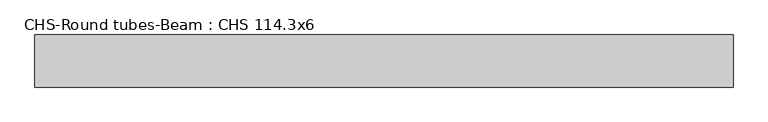
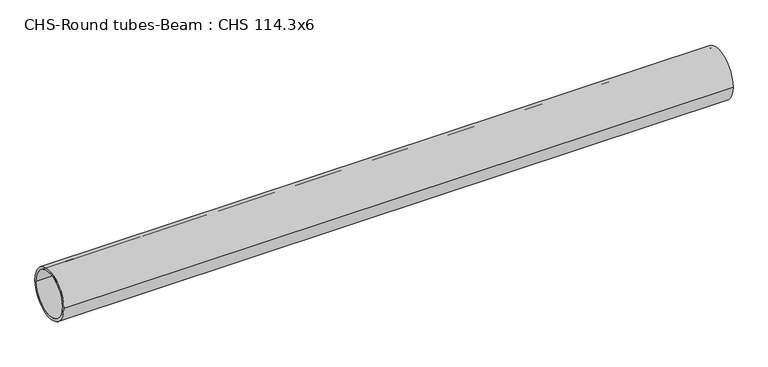
"""IFC4 building model written with IfcOpenShell, lengths in millimetres: beam geometry, CHS-Round tubes-Beam : CHS 114.3x6."""

from ifc_helpers import new_model, si_unit, point, frame, origin, origin_2d, place, context, project, spatial, circle_curve, trimmed, segment, composite_curve, outline, extrude, source, transform, mapped, element, save


def chs_round_tubes_beam_chs_114_3x6_30ed7b67(model_context):
    return source(origin(), model_context, "Body", "SweptSolid", [
        extrude(outline(composite_curve([segment(trimmed(circle_curve(origin_2d(), 57.15), [point((57.15, 0.0))], [point((-57.15, 0.0))], False, "CARTESIAN"), True, "CONTINUOUS"), segment(trimmed(circle_curve(origin_2d(), 57.15), [point((-57.15, 0.0))], [point((57.15, 0.0))], False, "CARTESIAN"), True, "CONTINUOUS")], self_intersect=False), holes=[composite_curve([segment(trimmed(circle_curve(origin_2d(), 51.15), [point((51.15, 0.0))], [point((-51.15, 0.0))], True, "CARTESIAN"), True, "CONTINUOUS"), segment(trimmed(circle_curve(origin_2d(), 51.15), [point((-51.15, 0.0))], [point((51.15, 0.0))], True, "CARTESIAN"), True, "CONTINUOUS")], self_intersect=False)]), frame((-755.3469866, 0.0, 0.0), z_axis=(1.0, 0.0, 0.0), x_axis=(0.0, 1.0, 0.0)), (0.0, 0.0, 1.0), 1531.2198064),
    ])


if __name__ == "__main__":
    model = new_model("IFC4")
    model_context = context("Model", 3, world=origin())
    ifc_project = project(units=[si_unit("LENGTHUNIT", "METRE", prefix="MILLI")], contexts=[model_context])
    site = spatial("IfcSite", under=ifc_project)
    building = spatial("IfcBuilding", under=site)
    placement = place(None, origin())
    chs_round_tubes_beam_chs_114_3x6_shape = chs_round_tubes_beam_chs_114_3x6_30ed7b67(model_context)
    element("IfcBeam", 1, ObjectType="CHS-Round tubes-Beam : CHS 114.3x6", at=placement, inside=building, context=model_context, shape_type="MappedRepresentation", body=[
        mapped(chs_round_tubes_beam_chs_114_3x6_shape, transform((0.0, 0.0, 0.0), x_axis=(1.0, 0.0, 0.0), y_axis=(0.0, 1.0, 0.0), z_axis=(0.0, 0.0, 1.0))),
    ])
    save(model, "model.ifc")
